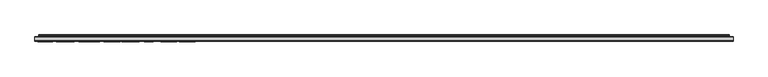
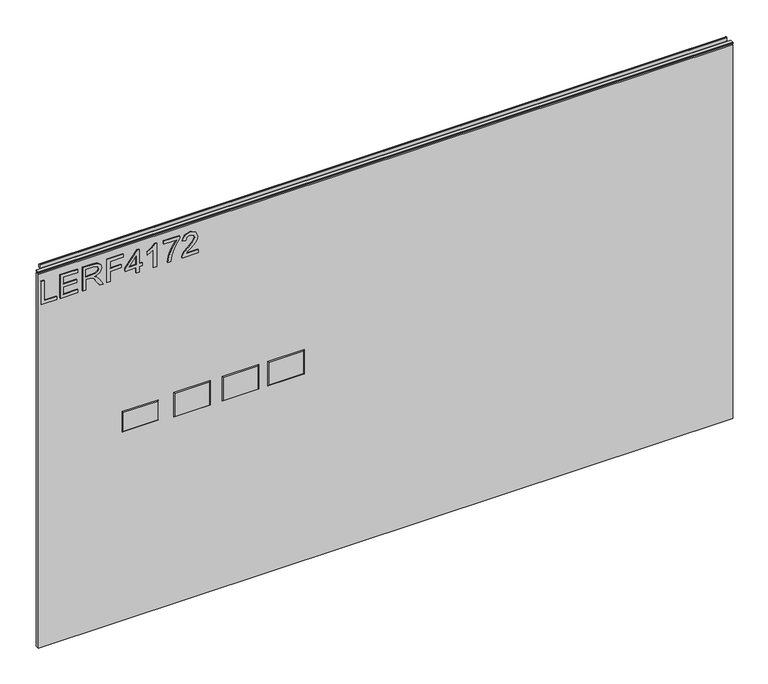
"""IFC4 building model written with IfcOpenShell, lengths in millimetres: furniture geometry."""

from ifc_helpers import new_model, si_unit, frame, origin, place, context, project, spatial, polyline, outline, extrude, faceted_brep, source, transform, mapped, element, save


def furniture_b36895aa(model_context):
    return source(origin(), model_context, "Body", "SolidModel", [
        extrude(outline(polyline([(1051.5276297, -291.2189953), (1051.5276297, -251.3503972), (1059.5013493, -251.3503972), (1059.5013493, -283.2452757), (1115.3173866, -283.2452757), (1115.3173866, -291.2189953), (1051.5276297, -291.2189953)])), frame((0.0, -5.5279467, 0.0), z_axis=(0.0, 1.0, 0.0), x_axis=(0.0, 0.0, 1.0)), (0.0, 0.0, 1.0), 2.38125),
        extrude(outline(polyline([(1051.5276297, -242.3799627), (1051.5276297, -195.5343599), (1059.5013493, -195.5343599), (1059.5013493, -234.4062431), (1080.4323633, -234.4062431), (1080.4323633, -198.5245048), (1088.4060829, -198.5245048), (1088.4060829, -234.4062431), (1107.343667, -234.4062431), (1107.343667, -196.5310749), (1115.3173866, -196.5310749), (1115.3173866, -242.3799627), (1051.5276297, -242.3799627)])), frame((0.0, -5.5279467, 0.0), z_axis=(0.0, 1.0, 0.0), x_axis=(0.0, 0.0, 1.0)), (0.0, 0.0, 1.0), 2.38125),
        extrude(outline(polyline([(1051.5276297, -183.5737805), (1051.5276297, -175.6000609), (1079.4356483, -175.6000609), (1079.4356483, -165.9755321), (1079.1553223, -161.3501518), (1077.6368893, -157.5579629), (1073.5020796, -153.3452848), (1064.7496765, -147.3494214), (1051.5276297, -139.0486547), (1051.5276297, -129.7823204), (1068.8144046, -140.4191378), (1077.0217293, -146.8822113), (1080.4323633, -151.4141496), (1086.365932, -138.0597266), (1097.8593013, -133.7380329), (1107.5071906, -136.3466228), (1113.596496, -143.3236275), (1115.3173866, -156.0862509), (1115.3173866, -183.5737805), (1051.5276297, -183.5737805)]), holes=[polyline([(1087.409368, -175.6000609), (1107.343667, -175.6000609), (1107.343667, -155.7436302), (1104.5871272, -145.0834523), (1097.5634015, -141.7117525), (1092.1515508, -143.4793642), (1088.5384591, -148.649823), (1087.409368, -157.7526338), (1087.409368, -175.6000609)])]), frame((0.0, -5.5279467, 0.0), z_axis=(0.0, 1.0, 0.0), x_axis=(0.0, 0.0, 1.0)), (0.0, 0.0, 1.0), 2.38125),
        extrude(outline(polyline([(1051.5276297, -119.7840235), (1051.5276297, -111.8103039), (1080.4323633, -111.8103039), (1080.4323633, -81.9088554), (1088.4060829, -81.9088554), (1088.4060829, -111.8103039), (1107.343667, -111.8103039), (1107.343667, -76.9252806), (1115.3173866, -76.9252806), (1115.3173866, -119.7840235), (1051.5276297, -119.7840235)])), frame((0.0, -5.5279467, 0.0), z_axis=(0.0, 1.0, 0.0), x_axis=(0.0, 0.0, 1.0)), (0.0, 0.0, 1.0), 2.38125),
        extrude(outline(polyline([(1051.5276297, -43.0369722), (1051.5276297, -35.0632526), (1066.478354, -35.0632526), (1066.478354, -27.089533), (1074.4520736, -27.089533), (1074.4520736, -35.0632526), (1114.3206717, -35.0632526), (1114.3206717, -41.0435423), (1074.4520736, -71.9417058), (1066.478354, -71.9417058), (1066.478354, -43.0369722), (1051.5276297, -43.0369722)]), holes=[polyline([(1074.4520736, -43.0369722), (1074.4520736, -62.130293), (1099.0896213, -43.0369722), (1074.4520736, -43.0369722)])]), frame((0.0, -5.5279467, 0.0), z_axis=(0.0, 1.0, 0.0), x_axis=(0.0, 0.0, 1.0)), (0.0, 0.0, 1.0), 2.38125),
        extrude(outline(polyline([(1051.5276297, 9.7889203), (1115.3173866, 9.7889203), (1115.3173866, 4.6496088), (1106.8297359, -2.4441984), (1099.3699474, -14.1322386), (1091.8322906, -14.1322386), (1095.8580845, -5.7380299), (1101.2387879, 1.8152006), (1051.5276297, 1.8152006), (1051.5276297, 9.7889203)])), frame((0.0, -5.5279467, 0.0), z_axis=(0.0, 1.0, 0.0), x_axis=(0.0, 0.0, 1.0)), (0.0, 0.0, 1.0), 2.38125),
        extrude(outline(polyline([(1106.3469521, 28.7265043), (1106.3469521, 62.6148127), (1089.8466475, 50.5607913), (1069.5152198, 41.8628959), (1051.5276297, 38.6936539), (1051.5276297, 46.6673735), (1068.8611256, 49.626371), (1090.7187731, 58.7136081), (1107.8731718, 70.5885323), (1114.3206717, 70.5885323), (1114.3206717, 28.7265043), (1106.3469521, 28.7265043)])), frame((0.0, -5.5279467, 0.0), z_axis=(0.0, 1.0, 0.0), x_axis=(0.0, 0.0, 1.0)), (0.0, 0.0, 1.0), 2.38125),
        extrude(outline(polyline([(1059.5013493, 118.43085), (1059.5013493, 87.1121974), (1063.5582906, 90.7097154), (1071.2283237, 99.8826077), (1082.153254, 111.3058955), (1089.9712369, 116.016931), (1097.5322542, 117.4341351), (1110.2092225, 112.1780211), (1115.3173866, 97.9047515), (1110.7231536, 83.6782029), (1097.3765175, 77.565537), (1096.3798025, 85.5392566), (1104.4313905, 88.8953828), (1107.343667, 97.7334411), (1104.361309, 106.213305), (1097.0494704, 109.4604155), (1088.0167411, 106.0186342), (1074.7323997, 92.2515089), (1065.4894258, 82.2687857), (1057.0251356, 77.425374), (1051.5276297, 76.5688221), (1051.5276297, 118.43085), (1059.5013493, 118.43085)])), frame((0.0, -5.5279467, 0.0), z_axis=(0.0, 1.0, 0.0), x_axis=(0.0, 0.0, 1.0)), (0.0, 0.0, 1.0), 2.38125),
        faceted_brep([(395.1398625, -5.2069939, 682.5742), (304.4618625, -5.2069939, 682.5742), (304.4618625, -5.2069939, 619.5822), (395.1398625, -5.2069939, 619.5822), (397.4258625, -3.1749939, 684.8602), (397.4258625, -3.1749939, 617.2962), (302.1758625, -3.1749939, 617.2962), (302.1758625, -3.1749939, 684.8602)], [[[0, 1, 2, 3]], [[4, 5, 6, 7]], [[4, 7, 1, 0]], [[7, 6, 2, 1]], [[6, 5, 3, 2]], [[5, 4, 0, 3]]]),
        faceted_brep([(276.3821625, -5.2069939, 682.5742), (185.7041625, -5.2069939, 682.5742), (185.7041625, -5.2069939, 619.5822), (276.3821625, -5.2069939, 619.5822), (278.6681625, -3.1749939, 684.8602), (278.6681625, -3.1749939, 617.2962), (183.4181625, -3.1749939, 617.2962), (183.4181625, -3.1749939, 684.8602)], [[[0, 1, 2, 3]], [[4, 5, 6, 7]], [[4, 7, 1, 0]], [[7, 6, 2, 1]], [[6, 5, 3, 2]], [[5, 4, 0, 3]]]),
        faceted_brep([(149.3821625, -5.2069939, 682.5742), (58.7041625, -5.2069939, 682.5742), (58.7041625, -5.2069939, 619.5822), (149.3821625, -5.2069939, 619.5822), (151.6681625, -3.1749939, 684.8602), (151.6681625, -3.1749939, 617.2962), (56.4181625, -3.1749939, 617.2962), (56.4181625, -3.1749939, 684.8602)], [[[0, 1, 2, 3]], [[4, 5, 6, 7]], [[4, 7, 1, 0]], [[7, 6, 2, 1]], [[6, 5, 3, 2]], [[5, 4, 0, 3]]]),
        faceted_brep([(13.1365625, -5.2069939, 677.1132), (-76.5254375, -5.2069939, 677.1132), (-76.5254375, -5.2069939, 625.0432), (13.1365625, -5.2069939, 625.0432), (15.4225625, -3.1749939, 679.3992), (15.4225625, -3.1749939, 622.7572), (-78.8114375, -3.1749939, 622.7572), (-78.8114375, -3.1749939, 679.3992)], [[[0, 1, 2, 3]], [[4, 5, 6, 7]], [[4, 7, 1, 0]], [[7, 6, 2, 1]], [[6, 5, 3, 2]], [[5, 4, 0, 3]]]),
        extrude(outline(polyline([(-298.196, 6.3500061), (1516.888, 6.3500061), (1516.888, -3.1749939), (-298.196, -3.1749939), (-298.196, 6.3500061)])), frame((0.0, 0.0, 101.6), z_axis=(0.0, 0.0, 1.0), x_axis=(1.0, 0.0, 0.0)), (0.0, 0.0, 1.0), 1033.9578),
        extrude(outline(polyline([(5.5562561, 1143.0), (5.5562561, 1139.8249996), (-3.975094, 1139.8249996), (-5.3492339, 1140.6183657), (-5.3492339, 1142.2066395), (-3.9751037, 1143.0), (5.5562561, 1143.0)])), frame((-298.196, 0.0, 0.0), z_axis=(1.0, 0.0, 0.0), x_axis=(0.0, 1.0, 0.0)), (0.0, 0.0, 1.0), 1815.084),
        extrude(outline(polyline([(5.5562561, 1143.0), (6.3500061, 1143.0), (6.3500061, 1152.87425), (7.1437561, 1153.668), (8.6677569, 1153.668), (10.0084363, 1153.2506926), (10.875413, 1152.1461816), (10.9623604, 1150.7447591), (10.2390011, 1147.7863459), (10.4046103, 1146.5833307), (11.6746103, 1144.3836103), (10.7786383, 1143.8663244), (7.1437561, 1143.8663244), (7.1437561, 1143.0), (6.3500061, 1142.7669239), (6.3500061, 1135.5578), (5.5562561, 1135.5578), (5.5562561, 1143.0)])), frame((-288.671, 0.0, 0.0), z_axis=(1.0, 0.0, 0.0), x_axis=(0.0, 1.0, 0.0)), (0.0, 0.0, 1.0), 1796.034),
    ])


if __name__ == "__main__":
    model = new_model("IFC4")
    model_context = context("Model", 3, world=origin())
    ifc_project = project(units=[si_unit("LENGTHUNIT", "METRE", prefix="MILLI")], contexts=[model_context])
    site = spatial("IfcSite", under=ifc_project)
    building = spatial("IfcBuilding", under=site)
    placement = place(None, origin())
    furniture_shape = furniture_b36895aa(model_context)
    element("IfcFurniture", 1, at=placement, inside=building, context=model_context, shape_type="MappedRepresentation", body=[
        mapped(furniture_shape, transform((0.0, 0.0, 0.0), x_axis=(1.0, 0.0, 0.0), y_axis=(0.0, 1.0, 0.0), z_axis=(0.0, 0.0, 1.0))),
    ])
    save(model, "model.ifc")
